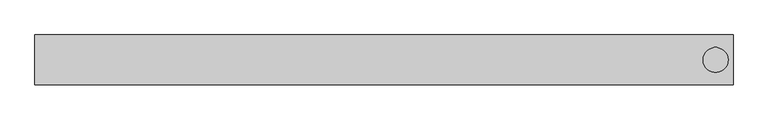
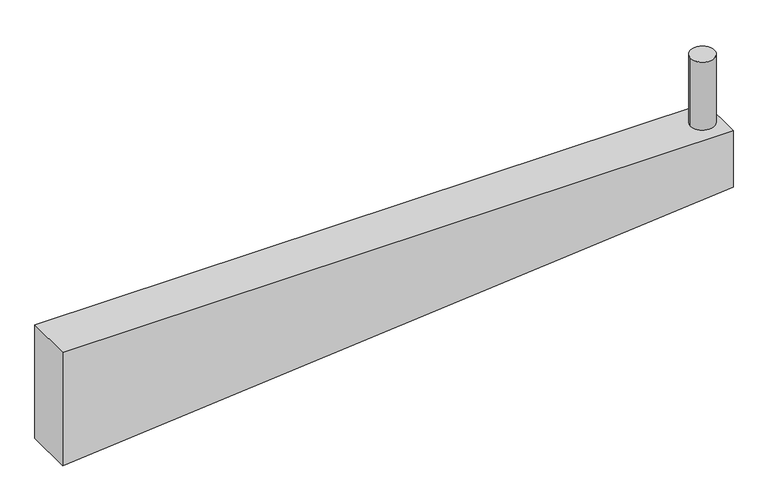
"""IFC4 building model written with IfcOpenShell, lengths in millimetres: beam geometry."""

from ifc_helpers import new_model, si_unit, point, frame, frame_2d, origin, origin_with_axes, place, context, project, spatial, polyline, circle_curve, trimmed, segment, composite_curve, outline, extrude, source, transform, mapped, element, save


def beam_4580ad6c(model_context):
    return source(origin(), model_context, "Body", "SweptSolid", [
        extrude(outline(composite_curve([segment(trimmed(circle_curve(frame_2d((1325.2814934, 0.0)), 50.0), [point((1275.2814934, 0.0))], [point((1375.2814934, 0.0))], False, "CARTESIAN"), True, "CONTINUOUS"), segment(trimmed(circle_curve(frame_2d((1325.2814934, 0.0)), 50.0), [point((1375.2814934, 0.0))], [point((1275.2814934, 0.0))], False, "CARTESIAN"), True, "CONTINUOUS")], self_intersect=False)), origin_with_axes(), (0.0, 0.0, 1.0), 300.0),
        extrude(outline(polyline([(-250.0, 1395.2814934), (0.0, 1395.2814934), (0.0, -1395.2814934), (-500.0, -1395.2814934), (-250.0, 1395.2814934)])), frame((0.0, -100.0, 0.0), z_axis=(0.0, 1.0, 0.0), x_axis=(0.0, 0.0, 1.0)), (0.0, 0.0, 1.0), 200.0),
    ])


if __name__ == "__main__":
    model = new_model("IFC4")
    model_context = context("Model", 3, world=origin())
    ifc_project = project(units=[si_unit("LENGTHUNIT", "METRE", prefix="MILLI")], contexts=[model_context])
    site = spatial("IfcSite", under=ifc_project)
    building = spatial("IfcBuilding", under=site)
    placement = place(None, origin())
    beam_shape = beam_4580ad6c(model_context)
    element("IfcBeam", 1, at=placement, inside=building, context=model_context, shape_type="MappedRepresentation", body=[
        mapped(beam_shape, transform((0.0, 0.0, 0.0), x_axis=(1.0, 0.0, 0.0), y_axis=(0.0, 1.0, 0.0), z_axis=(0.0, 0.0, 1.0))),
    ])
    save(model, "model.ifc")
